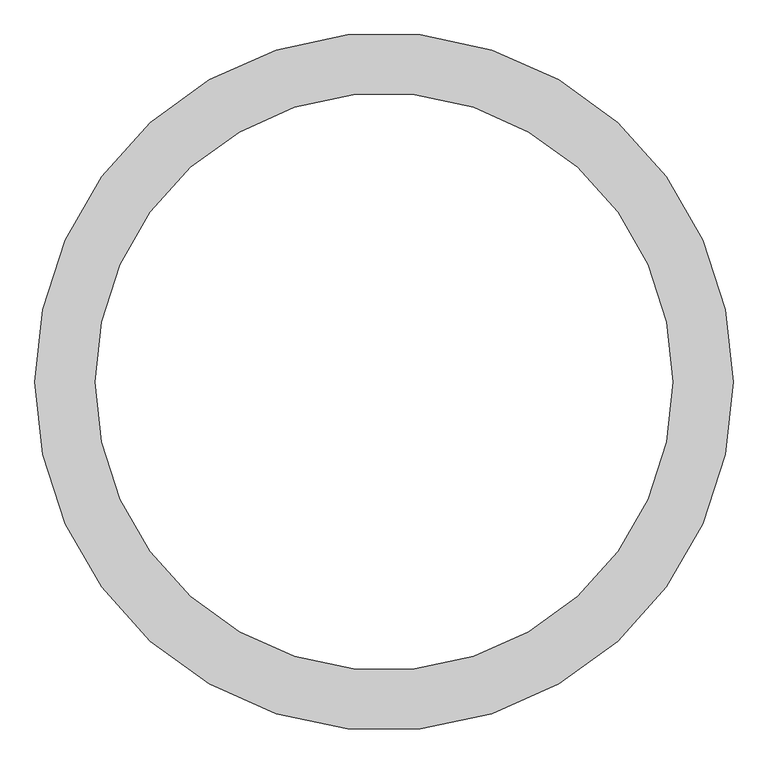
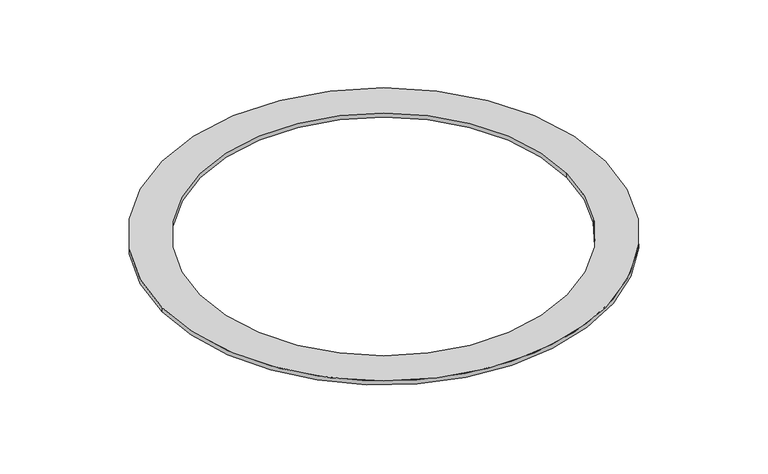
"""IFC4 building model written with IfcOpenShell, lengths in millimetres: furniture geometry."""

from ifc_helpers import new_model, si_unit, point, origin, origin_with_axes, origin_2d, place, context, project, spatial, circle_curve, trimmed, segment, composite_curve, outline, extrude, source, transform, mapped, element, save


def furniture_564df815(model_context):
    return source(origin(), model_context, "Body", "SweptSolid", [
        extrude(outline(composite_curve([segment(trimmed(circle_curve(origin_2d(), 520.9008484), [point((-520.9008484, 0.0))], [point((520.9008484, 0.0))], False, "CARTESIAN"), True, "CONTINUOUS"), segment(trimmed(circle_curve(origin_2d(), 520.9008484), [point((520.9008484, 0.0))], [point((-520.9008484, 0.0))], False, "CARTESIAN"), True, "CONTINUOUS")], self_intersect=False), holes=[composite_curve([segment(trimmed(circle_curve(origin_2d(), 430.9008484), [point((430.9008484, 0.0))], [point((-430.9008484, 0.0))], True, "CARTESIAN"), True, "CONTINUOUS"), segment(trimmed(circle_curve(origin_2d(), 430.9008484), [point((-430.9008484, 0.0))], [point((430.9008484, 0.0))], True, "CARTESIAN"), True, "CONTINUOUS")], self_intersect=False)]), origin_with_axes(), (0.0, 0.0, 1.0), 10.0),
    ])


if __name__ == "__main__":
    model = new_model("IFC4")
    model_context = context("Model", 3, world=origin())
    ifc_project = project(units=[si_unit("LENGTHUNIT", "METRE", prefix="MILLI")], contexts=[model_context])
    site = spatial("IfcSite", under=ifc_project)
    building = spatial("IfcBuilding", under=site)
    placement = place(None, origin())
    furniture_shape = furniture_564df815(model_context)
    element("IfcFurniture", 1, at=placement, inside=building, context=model_context, shape_type="MappedRepresentation", body=[
        mapped(furniture_shape, transform((0.0, 0.0, 0.0), x_axis=(1.0, 0.0, 0.0), y_axis=(0.0, 1.0, 0.0), z_axis=(0.0, 0.0, 1.0))),
    ])
    save(model, "model.ifc")
